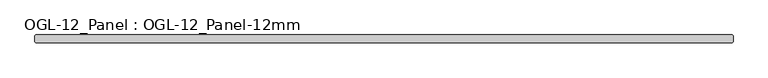
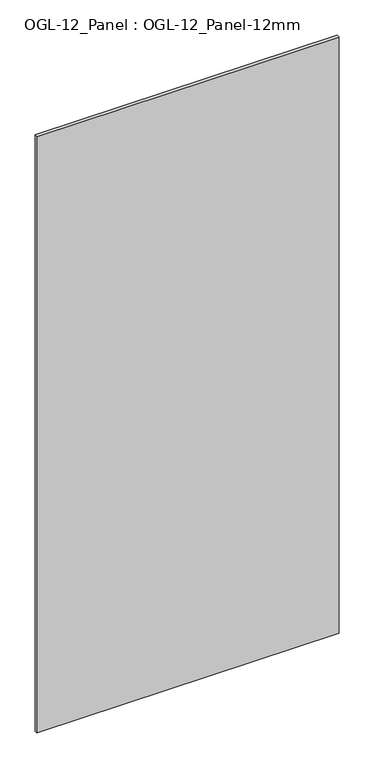
"""IFC4 building model written with IfcOpenShell, lengths in millimetres: plate geometry, OGL-12_Panel : OGL-12_Panel-12mm."""

from ifc_helpers import new_model, si_unit, origin, origin_with_axes, place, context, project, spatial, polyline, outline, extrude, source, transform, mapped, element, save


def ogl_12_panel_ogl_12_panel_12mm_0db8be14(model_context):
    return source(origin(), model_context, "Body", "SweptSolid", [
        extrude(outline(polyline([(560.3879673, 29.1703125), (561.9754673, 27.5828125), (561.9754673, 18.0578125), (560.3879673, 16.4703125), (-560.3879673, 16.4703125), (-561.9754673, 18.0578125), (-561.9754673, 27.5828125), (-560.3879673, 29.1703125), (560.3879673, 29.1703125)])), origin_with_axes(), (0.0, 0.0, 1.0), 2339.914687),
    ])


if __name__ == "__main__":
    model = new_model("IFC4")
    model_context = context("Model", 3, world=origin())
    ifc_project = project(units=[si_unit("LENGTHUNIT", "METRE", prefix="MILLI")], contexts=[model_context])
    site = spatial("IfcSite", under=ifc_project)
    building = spatial("IfcBuilding", under=site)
    placement = place(None, origin())
    ogl_12_panel_ogl_12_panel_12mm_shape = ogl_12_panel_ogl_12_panel_12mm_0db8be14(model_context)
    element("IfcPlate", 1, ObjectType="OGL-12_Panel : OGL-12_Panel-12mm", at=placement, inside=building, context=model_context, shape_type="MappedRepresentation", body=[
        mapped(ogl_12_panel_ogl_12_panel_12mm_shape, transform((0.0, 0.0, 0.0), x_axis=(1.0, 0.0, 0.0), y_axis=(0.0, 1.0, 0.0), z_axis=(0.0, 0.0, 1.0))),
    ])
    save(model, "model.ifc")
